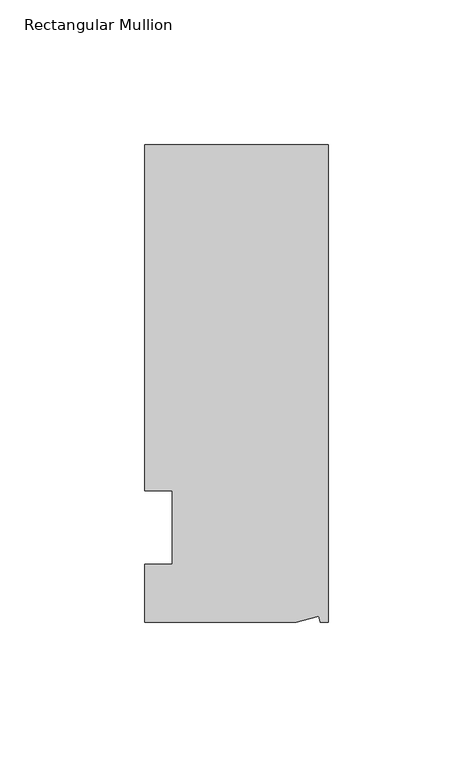
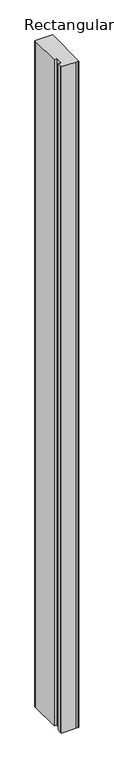
"""IFC4 building model written with IfcOpenShell, lengths in millimetres: member geometry, Rectangular Mullion."""

import ifcopenshell
import ifcopenshell.guid

model = None  # the IFC model being written
_history = None  # IfcOwnerHistory: only IFC2X3 demands one
_inside = {}  # id of a spatial element -> (the spatial element, [elements in it])
_under = {}  # id of a project, library or spatial element -> (it, [spatial elements below it])
_declared = {}  # id of a project -> (the project, [libraries it declares])
_typed = {}  # id of a type object -> (the type object, [elements of that type])
_made_of = {}  # id of a material, layer set ... -> (it, [elements and type objects made of it])


def new_model(schema):
    """Start an empty IFC model of exactly this schema.

    Asked for "IFC4X3", IfcOpenShell would pick the latest addendum, in which some entities
    have other attributes; the version numbers below select the first issue.
    IFC2X3 requires an IfcOwnerHistory on every rooted entity: one is made here for all.
    """
    global model, _history
    if schema == "IFC4X3":
        model = ifcopenshell.file(schema_version=(4, 3, 0, 0))
    else:
        model = ifcopenshell.file(schema=schema)
    _inside.clear()
    _under.clear()
    _declared.clear()
    _typed.clear()
    _made_of.clear()
    _history = None
    if model.schema == "IFC2X3":
        org = make("IfcOrganization", Name="unknown")
        user = make(
            "IfcPersonAndOrganization",
            ThePerson=make("IfcPerson", FamilyName="unknown"),
            TheOrganization=org,
        )
        app = make(
            "IfcApplication",
            ApplicationDeveloper=org,
            Version="unknown",
            ApplicationFullName="unknown",
            ApplicationIdentifier="unknown",
        )
        _history = make(
            "IfcOwnerHistory",
            OwningUser=user,
            OwningApplication=app,
            ChangeAction="ADDED",
            CreationDate=0,
        )
    return model


def make(cls, **values):
    """One entity of the class cls with the attributes given. An attribute that is None is left unset."""
    return model.create_entity(
        cls, **{name: value for name, value in values.items() if value is not None}
    )


def rooted(cls, **values):
    """An entity with a GlobalId (a new one), such as an element, a storey or a relation."""
    return make(cls, GlobalId=ifcopenshell.guid.new(), OwnerHistory=_history, **values)


def si_unit(unit_type, name, prefix=None):
    """IfcSIUnit, for example si_unit("LENGTHUNIT", "METRE", prefix="MILLI")."""
    return make("IfcSIUnit", UnitType=unit_type, Prefix=prefix, Name=name)


def assignment(units):
    """IfcUnitAssignment: the units of a project."""
    return None if units is None else make("IfcUnitAssignment", Units=units)


def point(xyz):
    """IfcCartesianPoint."""
    return None if xyz is None else make("IfcCartesianPoint", Coordinates=xyz)


def direction(xyz):
    """IfcDirection."""
    return None if xyz is None else make("IfcDirection", DirectionRatios=xyz)


def frame(location, z_axis=None, x_axis=None):
    """IfcAxis2Placement3D, a coordinate frame: its origin and axes. An axis left out is left unset."""
    return make(
        "IfcAxis2Placement3D",
        Location=point(location),
        Axis=direction(z_axis),
        RefDirection=direction(x_axis),
    )


def origin():
    """The frame at (0, 0, 0) with its axes left unset."""
    return frame((0.0, 0.0, 0.0))


def place(relative_to, where):
    """IfcLocalPlacement: puts the frame where relative to a parent placement (None: the world)."""
    return make(
        "IfcLocalPlacement", PlacementRelTo=relative_to, RelativePlacement=where
    )


def context(
    kind, dimensions, precision=None, world=None, true_north=None, identifier=None
):
    """IfcGeometricRepresentationContext, for example the 3D "Model" context."""
    return make(
        "IfcGeometricRepresentationContext",
        ContextIdentifier=identifier,
        ContextType=kind,
        CoordinateSpaceDimension=dimensions,
        Precision=precision,
        WorldCoordinateSystem=world,
        TrueNorth=true_north,
    )


def project(units=None, contexts=None):
    """IfcProject with its units and contexts."""
    return rooted(
        "IfcProject",
        Name="project",
        RepresentationContexts=contexts,
        UnitsInContext=assignment(units),
    )


def spatial(cls, under=None, at=None, **own):
    """A site, building, storey or space (cls), placed at a placement, below another one or the project."""
    s = rooted(cls, ObjectPlacement=at, **own)
    if under is not None:
        _under.setdefault(under.id(), (under, []))[1].append(s)
    return s


def polyline(points):
    """IfcPolyline through the points."""
    return make("IfcPolyline", Points=[point(p) for p in points])


def outline(outer, holes=None, kind="AREA"):
    """IfcArbitraryClosedProfileDef: a profile drawn as a closed curve; with holes, ...WithVoids."""
    if holes is None:
        return make("IfcArbitraryClosedProfileDef", ProfileType=kind, OuterCurve=outer)
    return make(
        "IfcArbitraryProfileDefWithVoids",
        ProfileType=kind,
        OuterCurve=outer,
        InnerCurves=holes,
    )


def extrude(swept, where, along, depth):
    """IfcExtrudedAreaSolid: the profile swept, set in the frame where, extruded along a direction by depth."""
    return make(
        "IfcExtrudedAreaSolid",
        SweptArea=swept,
        Position=where,
        ExtrudedDirection=direction(along),
        Depth=depth,
    )


def shape(context_of_items, identifier, shape_type, items):
    """IfcShapeRepresentation: the items that make up one representation, for example the "Body"."""
    return make(
        "IfcShapeRepresentation",
        ContextOfItems=context_of_items,
        RepresentationIdentifier=identifier,
        RepresentationType=shape_type,
        Items=items,
    )


def source(mapping_origin, context_of_items, identifier, shape_type, items):
    """IfcRepresentationMap: a shape defined once, which mapped items show again and again."""
    return make(
        "IfcRepresentationMap",
        MappingOrigin=mapping_origin,
        MappedRepresentation=shape(context_of_items, identifier, shape_type, items),
    )


def transform(
    local_origin,
    x_axis=None,
    y_axis=None,
    z_axis=None,
    scale=None,
    scale2=None,
    scale3=None,
    uniform=True,
):
    """IfcCartesianTransformationOperator3D, or its non-uniform kind. x_axis, y_axis, z_axis: its Axis1, 2, 3."""
    if uniform:
        return make(
            "IfcCartesianTransformationOperator3D",
            Axis1=direction(x_axis),
            Axis2=direction(y_axis),
            LocalOrigin=point(local_origin),
            Scale=scale,
            Axis3=direction(z_axis),
        )
    return make(
        "IfcCartesianTransformationOperator3DnonUniform",
        Axis1=direction(x_axis),
        Axis2=direction(y_axis),
        LocalOrigin=point(local_origin),
        Scale=scale,
        Axis3=direction(z_axis),
        Scale2=scale2,
        Scale3=scale3,
    )


def mapped(mapping_source, mapping_target):
    """IfcMappedItem: shows the shape of a source again, moved by a transform."""
    return make(
        "IfcMappedItem", MappingSource=mapping_source, MappingTarget=mapping_target
    )


def made_of(thing, what):
    """Note that an element or type object is made of a material, layer set ...; save() writes the relation."""
    if what is not None:
        _made_of.setdefault(what.id(), (what, []))[1].append(thing)
    return thing


def element(
    cls,
    number,
    at=None,
    inside=None,
    cuts=None,
    type_object=None,
    material=None,
    context=None,
    identifier="Body",
    shape_type=None,
    held_by="IfcProductDefinitionShape",
    body=None,
    shapes=None,
    **own,
):
    """One element of the class cls, such as IfcWall. Its Tag is "e" and its number.

    at: its placement. inside: the storey or other place that contains it. cuts: it is an
    opening in that element (IfcRelVoidsElement). A single representation is given by context,
    identifier, shape_type and body (its items); several are given by shapes. held_by: the class
    of the entity that holds the representations. save() writes the other relations.
    """
    e = rooted(cls, Tag="e%d" % number, ObjectPlacement=at, **own)
    if body is not None:
        shapes = [shape(context, identifier, shape_type, body)]
    if shapes is not None:
        e.Representation = make(held_by, Representations=shapes)
    if inside is not None:
        _inside.setdefault(inside.id(), (inside, []))[1].append(e)
    if cuts is not None:
        rooted(
            "IfcRelVoidsElement", RelatingBuildingElement=cuts, RelatedOpeningElement=e
        )
    if type_object is not None:
        _typed.setdefault(type_object.id(), (type_object, []))[1].append(e)
    return made_of(e, material)


def aggregate(whole, parts):
    """IfcRelAggregates: a whole, such as a stair, and the parts it consists of."""
    return rooted("IfcRelAggregates", RelatingObject=whole, RelatedObjects=parts)


def save(model, path):
    """Write the relations noted so far, then the file.

    IfcRelAggregates (storeys below a building ...), IfcRelContainedInSpatialStructure (elements
    in a storey), IfcRelDefinesByType, IfcRelAssociatesMaterial and IfcRelDeclares: one each for
    every whole, place, type object, material and project.
    """
    for whole, parts in _under.values():
        aggregate(whole, parts)
    for where, things in _inside.values():
        rooted(
            "IfcRelContainedInSpatialStructure",
            RelatedElements=things,
            RelatingStructure=where,
        )
    for kind, things in _typed.values():
        rooted("IfcRelDefinesByType", RelatedObjects=things, RelatingType=kind)
    for what, things in _made_of.values():
        rooted("IfcRelAssociatesMaterial", RelatedObjects=things, RelatingMaterial=what)
    for by, libraries in _declared.values():
        rooted("IfcRelDeclares", RelatingContext=by, RelatedDefinitions=libraries)
    model.write(path)


def rectangular_mullion_86c31fbb(model_context):
    return source(origin(), model_context, "Body", "SweptSolid", [
        extrude(outline(polyline([(0.0, 132.5561012), (0.0, -32.5438988), (-2.7616541, -32.5438988), (-3.3341886, -30.4622958), (-11.121847, -32.5438988), (-63.5, -32.5438988), (-63.5, -26.1938988), (-63.5, -12.5945801), (-53.975, -12.5945801), (-53.975, 12.8054199), (-63.5, 12.8054199), (-63.5, 126.2061012), (-63.5, 132.5561012), (0.0, 132.5561012)])), frame((0.0, 0.0, -2540.0), z_axis=(0.0, 0.0, 1.0), x_axis=(1.0, 0.0, 0.0)), (0.0, 0.0, 1.0), 2540.0),
    ])


if __name__ == "__main__":
    model = new_model("IFC4")
    model_context = context("Model", 3, world=origin())
    ifc_project = project(units=[si_unit("LENGTHUNIT", "METRE", prefix="MILLI")], contexts=[model_context])
    site = spatial("IfcSite", under=ifc_project)
    building = spatial("IfcBuilding", under=site)
    placement = place(None, origin())
    rectangular_mullion_shape = rectangular_mullion_86c31fbb(model_context)
    element("IfcMember", 1, ObjectType="Rectangular Mullion", at=placement, inside=building, context=model_context, shape_type="MappedRepresentation", body=[
        mapped(rectangular_mullion_shape, transform((0.0, 0.0, 0.0), x_axis=(1.0, 0.0, 0.0), y_axis=(0.0, 1.0, 0.0), z_axis=(0.0, 0.0, 1.0))),
    ])
    save(model, "model.ifc")
